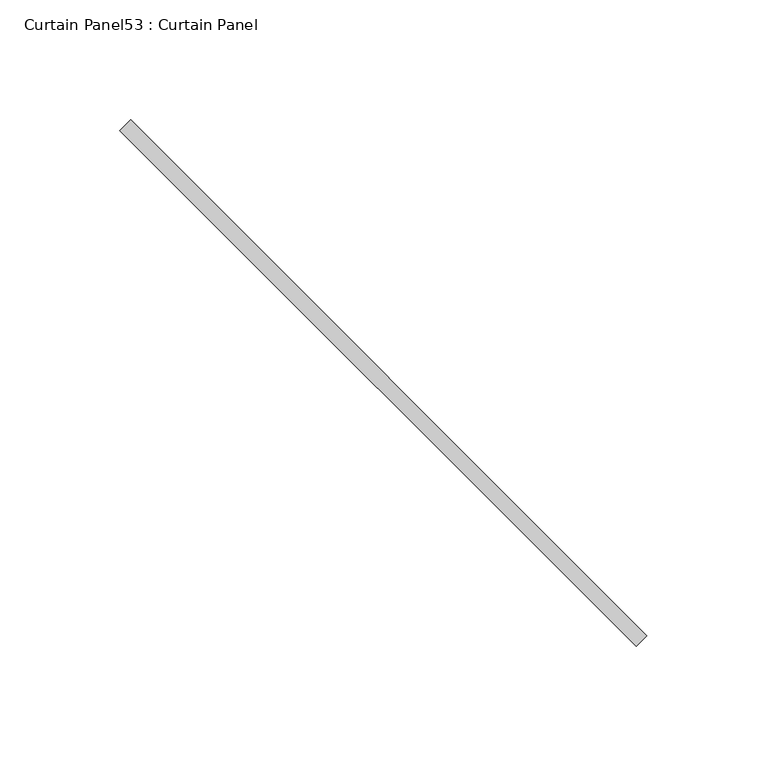
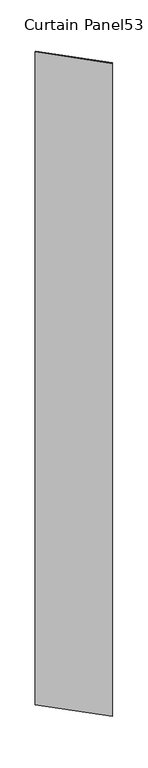
"""IFC4 building model written with IfcOpenShell, lengths in millimetres: plate geometry, Curtain Panel53 : Curtain Panel."""

from ifc_helpers import new_model, si_unit, origin, origin_with_axes, place, context, project, spatial, polyline, outline, extrude, source, transform, mapped, element, save


def curtain_panel53_curtain_panel_62f435c0(model_context):
    return source(origin(), model_context, "Body", "SweptSolid", [
        extrude(outline(polyline([(283365.2767954, 2398.2275062), (283580.8029423, 2182.7013593), (283576.3128143, 2178.2112312), (283360.7866674, 2393.7373782), (283365.2767954, 2398.2275062)])), origin_with_axes(), (0.0, 0.0, 1.0), 3048.0),
    ])


if __name__ == "__main__":
    model = new_model("IFC4")
    model_context = context("Model", 3, world=origin())
    ifc_project = project(units=[si_unit("LENGTHUNIT", "METRE", prefix="MILLI")], contexts=[model_context])
    site = spatial("IfcSite", under=ifc_project)
    building = spatial("IfcBuilding", under=site)
    placement = place(None, origin())
    curtain_panel53_curtain_panel_shape = curtain_panel53_curtain_panel_62f435c0(model_context)
    element("IfcPlate", 1, ObjectType="Curtain Panel53 : Curtain Panel", at=placement, inside=building, context=model_context, shape_type="MappedRepresentation", body=[
        mapped(curtain_panel53_curtain_panel_shape, transform((0.0, 0.0, 0.0), x_axis=(1.0, 0.0, 0.0), y_axis=(0.0, 1.0, 0.0), z_axis=(0.0, 0.0, 1.0))),
    ])
    save(model, "model.ifc")
